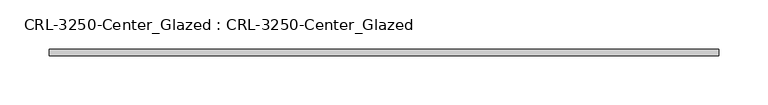
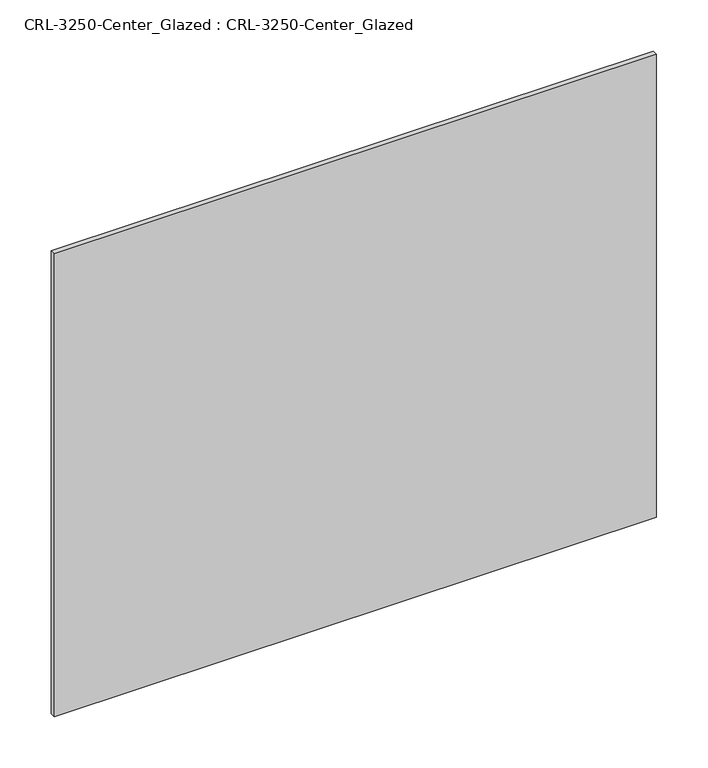
"""IFC4 building model written with IfcOpenShell, lengths in millimetres: plate geometry, CRL-3250-Center_Glazed : CRL-3250-Center_Glazed."""

from ifc_helpers import new_model, si_unit, origin, origin_with_axes, place, context, project, spatial, polyline, outline, extrude, source, transform, mapped, element, save


def crl_3250_center_glazed_crl_3250_center_glazed_ce74e85c(model_context):
    return source(origin(), model_context, "Body", "SweptSolid", [
        extrude(outline(polyline([(339.6333373, -3.1749999), (-339.6333373, -3.1749999), (-339.6333373, 3.1749999), (339.6333373, 3.1749999), (339.6333373, -3.1749999)])), origin_with_axes(), (0.0, 0.0, 1.0), 552.4500045),
    ])


if __name__ == "__main__":
    model = new_model("IFC4")
    model_context = context("Model", 3, world=origin())
    ifc_project = project(units=[si_unit("LENGTHUNIT", "METRE", prefix="MILLI")], contexts=[model_context])
    site = spatial("IfcSite", under=ifc_project)
    building = spatial("IfcBuilding", under=site)
    placement = place(None, origin())
    crl_3250_center_glazed_crl_3250_center_glazed_shape = crl_3250_center_glazed_crl_3250_center_glazed_ce74e85c(model_context)
    element("IfcPlate", 1, ObjectType="CRL-3250-Center_Glazed : CRL-3250-Center_Glazed", at=placement, inside=building, context=model_context, shape_type="MappedRepresentation", body=[
        mapped(crl_3250_center_glazed_crl_3250_center_glazed_shape, transform((0.0, 0.0, 0.0), x_axis=(1.0, 0.0, 0.0), y_axis=(0.0, 1.0, 0.0), z_axis=(0.0, 0.0, 1.0))),
    ])
    save(model, "model.ifc")
